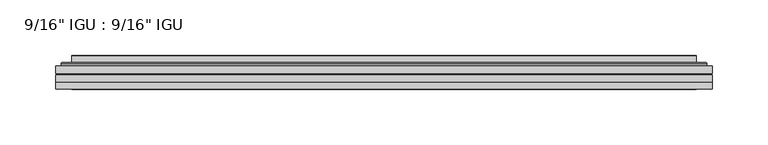
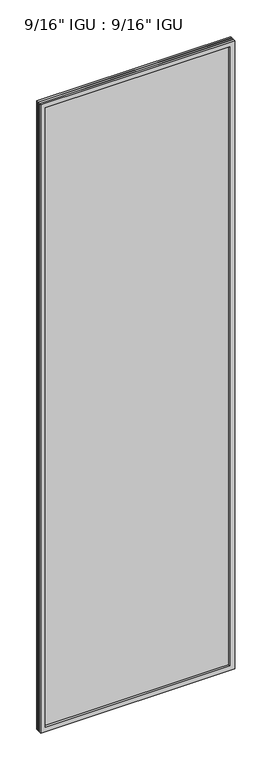
"""IFC4 building model written with IfcOpenShell, lengths in millimetres: plate geometry."""

import ifcopenshell
import ifcopenshell.guid

model = None  # the IFC model being written
_history = None  # IfcOwnerHistory: only IFC2X3 demands one
_inside = {}  # id of a spatial element -> (the spatial element, [elements in it])
_under = {}  # id of a project, library or spatial element -> (it, [spatial elements below it])
_declared = {}  # id of a project -> (the project, [libraries it declares])
_typed = {}  # id of a type object -> (the type object, [elements of that type])
_made_of = {}  # id of a material, layer set ... -> (it, [elements and type objects made of it])


def new_model(schema):
    """Start an empty IFC model of exactly this schema.

    Asked for "IFC4X3", IfcOpenShell would pick the latest addendum, in which some entities
    have other attributes; the version numbers below select the first issue.
    IFC2X3 requires an IfcOwnerHistory on every rooted entity: one is made here for all.
    """
    global model, _history
    if schema == "IFC4X3":
        model = ifcopenshell.file(schema_version=(4, 3, 0, 0))
    else:
        model = ifcopenshell.file(schema=schema)
    _inside.clear()
    _under.clear()
    _declared.clear()
    _typed.clear()
    _made_of.clear()
    _history = None
    if model.schema == "IFC2X3":
        org = make("IfcOrganization", Name="unknown")
        user = make(
            "IfcPersonAndOrganization",
            ThePerson=make("IfcPerson", FamilyName="unknown"),
            TheOrganization=org,
        )
        app = make(
            "IfcApplication",
            ApplicationDeveloper=org,
            Version="unknown",
            ApplicationFullName="unknown",
            ApplicationIdentifier="unknown",
        )
        _history = make(
            "IfcOwnerHistory",
            OwningUser=user,
            OwningApplication=app,
            ChangeAction="ADDED",
            CreationDate=0,
        )
    return model


def make(cls, **values):
    """One entity of the class cls with the attributes given. An attribute that is None is left unset."""
    return model.create_entity(
        cls, **{name: value for name, value in values.items() if value is not None}
    )


def rooted(cls, **values):
    """An entity with a GlobalId (a new one), such as an element, a storey or a relation."""
    return make(cls, GlobalId=ifcopenshell.guid.new(), OwnerHistory=_history, **values)


def si_unit(unit_type, name, prefix=None):
    """IfcSIUnit, for example si_unit("LENGTHUNIT", "METRE", prefix="MILLI")."""
    return make("IfcSIUnit", UnitType=unit_type, Prefix=prefix, Name=name)


def assignment(units):
    """IfcUnitAssignment: the units of a project."""
    return None if units is None else make("IfcUnitAssignment", Units=units)


def point(xyz):
    """IfcCartesianPoint."""
    return None if xyz is None else make("IfcCartesianPoint", Coordinates=xyz)


def direction(xyz):
    """IfcDirection."""
    return None if xyz is None else make("IfcDirection", DirectionRatios=xyz)


def frame(location, z_axis=None, x_axis=None):
    """IfcAxis2Placement3D, a coordinate frame: its origin and axes. An axis left out is left unset."""
    return make(
        "IfcAxis2Placement3D",
        Location=point(location),
        Axis=direction(z_axis),
        RefDirection=direction(x_axis),
    )


def origin():
    """The frame at (0, 0, 0) with its axes left unset."""
    return frame((0.0, 0.0, 0.0))


def place(relative_to, where):
    """IfcLocalPlacement: puts the frame where relative to a parent placement (None: the world)."""
    return make(
        "IfcLocalPlacement", PlacementRelTo=relative_to, RelativePlacement=where
    )


def context(
    kind, dimensions, precision=None, world=None, true_north=None, identifier=None
):
    """IfcGeometricRepresentationContext, for example the 3D "Model" context."""
    return make(
        "IfcGeometricRepresentationContext",
        ContextIdentifier=identifier,
        ContextType=kind,
        CoordinateSpaceDimension=dimensions,
        Precision=precision,
        WorldCoordinateSystem=world,
        TrueNorth=true_north,
    )


def project(units=None, contexts=None):
    """IfcProject with its units and contexts."""
    return rooted(
        "IfcProject",
        Name="project",
        RepresentationContexts=contexts,
        UnitsInContext=assignment(units),
    )


def spatial(cls, under=None, at=None, **own):
    """A site, building, storey or space (cls), placed at a placement, below another one or the project."""
    s = rooted(cls, ObjectPlacement=at, **own)
    if under is not None:
        _under.setdefault(under.id(), (under, []))[1].append(s)
    return s


def polyline(points):
    """IfcPolyline through the points."""
    return make("IfcPolyline", Points=[point(p) for p in points])


def ellipse_curve(where, semi_axis1, semi_axis2):
    """IfcEllipse in the frame where."""
    return make(
        "IfcEllipse", Position=where, SemiAxis1=semi_axis1, SemiAxis2=semi_axis2
    )


def outline(outer, holes=None, kind="AREA"):
    """IfcArbitraryClosedProfileDef: a profile drawn as a closed curve; with holes, ...WithVoids."""
    if holes is None:
        return make("IfcArbitraryClosedProfileDef", ProfileType=kind, OuterCurve=outer)
    return make(
        "IfcArbitraryProfileDefWithVoids",
        ProfileType=kind,
        OuterCurve=outer,
        InnerCurves=holes,
    )


def extrude(swept, where, along, depth):
    """IfcExtrudedAreaSolid: the profile swept, set in the frame where, extruded along a direction by depth."""
    return make(
        "IfcExtrudedAreaSolid",
        SweptArea=swept,
        Position=where,
        ExtrudedDirection=direction(along),
        Depth=depth,
    )


def faces_of(points, faces, orient=None, outer=None):
    """IfcFace entities. A face is a list of loops; a loop is a list of indices into points, from 0.

    orient and outer hold one flag for each loop. By default every Orientation is true, the
    first loop of a face is its IfcFaceOuterBound and the others are IfcFaceBound.
    """
    made = []
    for i, loops in enumerate(faces):
        bounds = []
        for j, loop in enumerate(loops):
            is_outer = j == 0 if outer is None else outer[i][j]
            bounds.append(
                make(
                    "IfcFaceOuterBound" if is_outer else "IfcFaceBound",
                    Bound=make("IfcPolyLoop", Polygon=[points[k] for k in loop]),
                    Orientation=True if orient is None else orient[i][j],
                )
            )
        made.append(make("IfcFace", Bounds=bounds))
    return made


def faceted_brep(points, faces, orient=None, outer=None, voids=None):
    """IfcFacetedBrep: a solid bounded by flat faces; with voids (closed shells), ...WithVoids."""
    shared = [point(p) for p in points]
    hull = make("IfcClosedShell", CfsFaces=faces_of(shared, faces, orient, outer))
    if voids is None:
        return make("IfcFacetedBrep", Outer=hull)
    return make(
        "IfcFacetedBrepWithVoids",
        Outer=hull,
        Voids=[
            make(cls, CfsFaces=faces_of(shared, fs, o, b)) for cls, fs, o, b in voids
        ],
    )


def shape(context_of_items, identifier, shape_type, items):
    """IfcShapeRepresentation: the items that make up one representation, for example the "Body"."""
    return make(
        "IfcShapeRepresentation",
        ContextOfItems=context_of_items,
        RepresentationIdentifier=identifier,
        RepresentationType=shape_type,
        Items=items,
    )


def source(mapping_origin, context_of_items, identifier, shape_type, items):
    """IfcRepresentationMap: a shape defined once, which mapped items show again and again."""
    return make(
        "IfcRepresentationMap",
        MappingOrigin=mapping_origin,
        MappedRepresentation=shape(context_of_items, identifier, shape_type, items),
    )


def transform(
    local_origin,
    x_axis=None,
    y_axis=None,
    z_axis=None,
    scale=None,
    scale2=None,
    scale3=None,
    uniform=True,
):
    """IfcCartesianTransformationOperator3D, or its non-uniform kind. x_axis, y_axis, z_axis: its Axis1, 2, 3."""
    if uniform:
        return make(
            "IfcCartesianTransformationOperator3D",
            Axis1=direction(x_axis),
            Axis2=direction(y_axis),
            LocalOrigin=point(local_origin),
            Scale=scale,
            Axis3=direction(z_axis),
        )
    return make(
        "IfcCartesianTransformationOperator3DnonUniform",
        Axis1=direction(x_axis),
        Axis2=direction(y_axis),
        LocalOrigin=point(local_origin),
        Scale=scale,
        Axis3=direction(z_axis),
        Scale2=scale2,
        Scale3=scale3,
    )


def mapped(mapping_source, mapping_target):
    """IfcMappedItem: shows the shape of a source again, moved by a transform."""
    return make(
        "IfcMappedItem", MappingSource=mapping_source, MappingTarget=mapping_target
    )


def made_of(thing, what):
    """Note that an element or type object is made of a material, layer set ...; save() writes the relation."""
    if what is not None:
        _made_of.setdefault(what.id(), (what, []))[1].append(thing)
    return thing


def element(
    cls,
    number,
    at=None,
    inside=None,
    cuts=None,
    type_object=None,
    material=None,
    context=None,
    identifier="Body",
    shape_type=None,
    held_by="IfcProductDefinitionShape",
    body=None,
    shapes=None,
    **own,
):
    """One element of the class cls, such as IfcWall. Its Tag is "e" and its number.

    at: its placement. inside: the storey or other place that contains it. cuts: it is an
    opening in that element (IfcRelVoidsElement). A single representation is given by context,
    identifier, shape_type and body (its items); several are given by shapes. held_by: the class
    of the entity that holds the representations. save() writes the other relations.
    """
    e = rooted(cls, Tag="e%d" % number, ObjectPlacement=at, **own)
    if body is not None:
        shapes = [shape(context, identifier, shape_type, body)]
    if shapes is not None:
        e.Representation = make(held_by, Representations=shapes)
    if inside is not None:
        _inside.setdefault(inside.id(), (inside, []))[1].append(e)
    if cuts is not None:
        rooted(
            "IfcRelVoidsElement", RelatingBuildingElement=cuts, RelatedOpeningElement=e
        )
    if type_object is not None:
        _typed.setdefault(type_object.id(), (type_object, []))[1].append(e)
    return made_of(e, material)


def aggregate(whole, parts):
    """IfcRelAggregates: a whole, such as a stair, and the parts it consists of."""
    return rooted("IfcRelAggregates", RelatingObject=whole, RelatedObjects=parts)


def save(model, path):
    """Write the relations noted so far, then the file.

    IfcRelAggregates (storeys below a building ...), IfcRelContainedInSpatialStructure (elements
    in a storey), IfcRelDefinesByType, IfcRelAssociatesMaterial and IfcRelDeclares: one each for
    every whole, place, type object, material and project.
    """
    for whole, parts in _under.values():
        aggregate(whole, parts)
    for where, things in _inside.values():
        rooted(
            "IfcRelContainedInSpatialStructure",
            RelatedElements=things,
            RelatingStructure=where,
        )
    for kind, things in _typed.values():
        rooted("IfcRelDefinesByType", RelatedObjects=things, RelatingType=kind)
    for what, things in _made_of.values():
        rooted("IfcRelAssociatesMaterial", RelatedObjects=things, RelatingMaterial=what)
    for by, libraries in _declared.values():
        rooted("IfcRelDeclares", RelatingContext=by, RelatedDefinitions=libraries)
    model.write(path)


def plane_surface(at):
    """IfcPlane: the flat surface through the origin of the frame at, square to its z axis."""
    return make("IfcPlane", Position=at)


def cylinder_surface(at, radius):
    """IfcCylindricalSurface: all points at the distance radius from the z axis of the frame at."""
    return make("IfcCylindricalSurface", Position=at, Radius=radius)


def advanced_brep(points, edges, surfaces, faces):
    """IfcAdvancedBrep: a solid bounded by faces that lie on surfaces and meet in shared edges.

    An edge is (start, end): straight between two places in points (the first is 0);
    or (start, end, curve); or (start, end, curve, False) where it runs against its curve.
    A face is (place in surfaces, loops), or (place, loops, False) where it looks against
    its surface's normal. A loop lists edges by number (the first is 1), with a minus sign
    where the edge is run from its end to its start. The first loop is the outer one.
    """
    corners = [point(p) for p in points]
    vertices = [make("IfcVertexPoint", VertexGeometry=c) for c in corners]
    made = []
    for start, end, *more in edges:
        made.append(
            make(
                "IfcEdgeCurve",
                EdgeStart=vertices[start],
                EdgeEnd=vertices[end],
                EdgeGeometry=more[0] if more else make("IfcPolyline", Points=[corners[start], corners[end]]),
                SameSense=more[1] if len(more) > 1 else True,
            )
        )
    hull = []
    for where, loops, *sense in faces:
        bounds = []
        for j, loop in enumerate(loops):
            ring = [make("IfcOrientedEdge", EdgeElement=made[abs(k) - 1], Orientation=k > 0) for k in loop]
            bounds.append(
                make(
                    "IfcFaceOuterBound" if j == 0 else "IfcFaceBound",
                    Bound=make("IfcEdgeLoop", EdgeList=ring),
                    Orientation=True,
                )
            )
        hull.append(make("IfcAdvancedFace", Bounds=bounds, FaceSurface=surfaces[where], SameSense=sense[0] if sense else True))
    return make("IfcAdvancedBrep", Outer=make("IfcClosedShell", CfsFaces=hull))


def plate_619f9ec3(model_context):
    return source(origin(), model_context, "Body", "SolidModel", [
        extrude(outline(polyline([(295.3105814, -54.78145), (295.3105814, -61.1317818), (-295.2964064, -61.1317818), (-295.2964064, -54.78145), (295.3105814, -54.78145)])), frame((0.0, 0.0, -14.2875), z_axis=(0.0, 0.0, 1.0), x_axis=(1.0, 0.0, 0.0)), (0.0, 0.0, 1.0), 2022.4787979),
        extrude(outline(polyline([(-295.2964064, -69.05625), (-295.2964064, -62.705745), (295.3105814, -62.705745), (295.3105814, -69.05625), (-295.2964064, -69.05625)])), frame((0.0, 0.0, -14.2875), z_axis=(0.0, 0.0, 1.0), x_axis=(1.0, 0.0, 0.0)), (0.0, 0.0, 1.0), 2022.4787979),
        faceted_brep([(-295.3091064, -75.40625, 2008.2002), (-295.3091064, -69.05625, 2008.2002), (-295.3091064, -69.05625, -14.3002), (-295.3091064, -75.40625, -14.3002), (295.3091064, -69.05625, -14.3002), (295.3091064, -75.40625, -14.3002), (295.3091064, -69.05625, 2008.2002), (295.3091064, -75.40625, 2008.2002), (-280.1111623, -69.05625, 0.8977441), (280.1111623, -69.05625, 0.8977441), (280.1111623, -69.05625, 1993.0022559), (-280.1111623, -69.05625, 1993.0022559), (-281.0035966, -75.40625, 1993.8946902), (281.0035966, -75.40625, 1993.8946902), (281.0035966, -75.40625, 0.0053098), (-281.0035966, -75.40625, 0.0053098)], [[[0, 1, 2, 3]], [[3, 2, 4, 5]], [[5, 4, 6, 7]], [[1, 6, 4, 2], [8, 9, 10, 11]], [[7, 6, 1, 0]], [[3, 5, 7, 0], [12, 13, 14, 15]], [[11, 12, 15, 8]], [[8, 15, 14, 9]], [[9, 14, 13, 10]], [[10, 13, 12, 11]]]),
        advanced_brep(
        [(-288.0551255, -54.78145, 2000.946219), (-290.4093308, -52.7917833, 2003.3004244), (-290.4093308, -52.7917833, -9.4004244), (-288.0551255, -54.78145, -7.046219), (-278.9808003, -50.941413, 1991.8718939), (-274.0459685, -54.78145, 1986.9370621), (-274.0459685, -54.78145, 6.9629379), (-278.9808003, -50.941413, 2.0281061), (-280.0128281, -45.5441819, 1992.9039217), (-280.0128281, -45.5441819, 0.9960783), (-281.0034849, -45.1452069, 1993.8945784), (-281.0034849, -45.1452069, 0.0054216), (-281.0034849, -51.60645, 1993.8945784), (-281.0034849, -51.60645, 0.0054216), (-289.4075413, -51.60645, 2002.2986349), (-289.4075413, -51.60645, -8.3986349), (290.4093308, -52.7917833, -9.4004244), (288.0551255, -54.78145, -7.046219), (274.0459685, -54.78145, 6.9629379), (278.9808003, -50.941413, 2.0281061), (280.0128281, -45.5441819, 0.9960783), (281.0034849, -45.1452069, 0.0054216), (281.0034849, -51.60645, 0.0054216), (289.4075413, -51.60645, -8.3986349), (290.4093308, -52.7917833, 2003.3004244), (288.0551255, -54.78145, 2000.946219), (274.0459685, -54.78145, 1986.9370621), (278.9808003, -50.941413, 1991.8718939), (280.0128281, -45.5441819, 1992.9039217), (281.0034849, -45.1452069, 1993.8945784), (281.0034849, -51.60645, 1993.8945784), (289.4075413, -51.60645, 2002.2986349)],
        [
            (0, 1, ellipse_curve(frame((-288.0551255, -52.39385, 2000.946219), z_axis=(-0.7071067811865475, 0.0, -0.7071067811865475), x_axis=(-0.7071067811865474, 0.0, 0.7071067811865476)), 3.3765763, 2.3876)),
            (1, 2),
            (2, 3, ellipse_curve(frame((-288.0551255, -52.39385, -7.046219), z_axis=(-0.7071067811865475, 0.0, 0.7071067811865475), x_axis=(0.7071067811865474, 0.0, 0.7071067811865476)), 3.3765763, 2.3876)),
            (3, 0),
            (4, 5),
            (5, 6),
            (6, 7),
            (7, 4),
            (8, 4),
            (7, 9),
            (9, 8),
            (10, 8, ellipse_curve(frame((-280.6365283, -45.6634423, 1993.5276219), z_axis=(-0.7071067811865475, 0.0, -0.7071067811865475), x_axis=(-0.7071067811865474, 0.0, 0.7071067811865476)), 0.8980256, 0.635)),
            (9, 11, ellipse_curve(frame((-280.6365283, -45.6634423, 0.3723781), z_axis=(-0.7071067811865475, 0.0, 0.7071067811865475), x_axis=(0.7071067811865474, 0.0, 0.7071067811865476)), 0.8980256, 0.635)),
            (11, 10),
            (12, 10),
            (11, 13),
            (13, 12),
            (1, 14, ellipse_curve(frame((-289.4075413, -52.62245, 2002.2986349), z_axis=(-0.7071067811865475, 0.0, -0.7071067811865475), x_axis=(-0.7071067811865474, 0.0, 0.7071067811865476)), 1.436841, 1.016)),
            (14, 15),
            (15, 2, ellipse_curve(frame((-289.4075413, -52.62245, -8.3986349), z_axis=(-0.7071067811865475, 0.0, 0.7071067811865475), x_axis=(0.7071067811865474, 0.0, 0.7071067811865476)), 1.436841, 1.016)),
            (2, 16),
            (16, 17, ellipse_curve(frame((288.0551255, -52.39385, -7.046219), z_axis=(-0.7071067811865475, 0.0, -0.7071067811865475), x_axis=(-0.7071067811865476, 0.0, 0.7071067811865474)), 3.3765763, 2.3876)),
            (17, 3),
            (6, 18),
            (18, 19),
            (19, 7),
            (19, 20),
            (20, 9),
            (20, 21, ellipse_curve(frame((280.6365283, -45.6634423, 0.3723781), z_axis=(-0.7071067811865475, 0.0, -0.7071067811865475), x_axis=(-0.7071067811865476, 0.0, 0.7071067811865474)), 0.8980256, 0.635)),
            (21, 11),
            (21, 22),
            (22, 13),
            (15, 23),
            (23, 16, ellipse_curve(frame((289.4075413, -52.62245, -8.3986349), z_axis=(-0.7071067811865475, 0.0, -0.7071067811865475), x_axis=(-0.7071067811865476, 0.0, 0.7071067811865474)), 1.436841, 1.016)),
            (16, 24),
            (24, 25, ellipse_curve(frame((288.0551255, -52.39385, 2000.946219), z_axis=(0.7071067811865475, 0.0, -0.7071067811865475), x_axis=(-0.7071067811865474, 0.0, -0.7071067811865476)), 3.3765763, 2.3876)),
            (25, 17),
            (18, 26),
            (26, 27),
            (27, 19),
            (27, 28),
            (28, 20),
            (28, 29, ellipse_curve(frame((280.6365283, -45.6634423, 1993.5276219), z_axis=(0.7071067811865475, 0.0, -0.7071067811865475), x_axis=(-0.7071067811865474, 0.0, -0.7071067811865476)), 0.8980256, 0.635)),
            (29, 21),
            (29, 30),
            (30, 22),
            (23, 31),
            (31, 24, ellipse_curve(frame((289.4075413, -52.62245, 2002.2986349), z_axis=(0.7071067811865475, 0.0, -0.7071067811865475), x_axis=(-0.7071067811865474, 0.0, -0.7071067811865476)), 1.436841, 1.016)),
            (24, 1),
            (0, 25),
            (5, 26),
            (4, 27),
            (8, 28),
            (10, 29),
            (12, 30),
            (14, 31),
        ],
        [
            cylinder_surface(frame((-288.0551255, -52.39385, 2025.65), z_axis=(0.0, 0.0, 1.0), x_axis=(-1.0, 0.0, 0.0)), 2.3876),
            plane_surface(frame((-274.0459685, -54.78145, 1986.9370621), z_axis=(0.6141233906514794, 0.7892100234124821, 0.0), x_axis=(0.0, 0.0, -1.0))),
            plane_surface(frame((-278.9808003, -50.941413, 1991.8718939), z_axis=(0.9822050625507728, 0.18781164793386088, 0.0), x_axis=(0.0, 0.0, -1.0))),
            cylinder_surface(frame((-280.6365283, -45.6634423, 2025.65), z_axis=(0.0, 0.0, 1.0), x_axis=(-1.0, 0.0, 0.0)), 0.635),
            plane_surface(frame((-281.0034849, -45.1452069, 1993.8945784), z_axis=(-1.0, 0.0, 0.0), x_axis=(0.0, 0.0, -1.0))),
            cylinder_surface(frame((-289.4075413, -52.62245, 2025.65), z_axis=(0.0, 0.0, 1.0), x_axis=(-1.0, 0.0, 0.0)), 1.016),
            cylinder_surface(frame((-312.7589064, -52.39385, -7.046219), z_axis=(-1.0, 0.0, 0.0), x_axis=(0.0, 0.0, -1.0)), 2.3876),
            plane_surface(frame((-274.0459685, -54.78145, 6.9629379), z_axis=(0.0, 0.7892100234124841, 0.6141233906514768), x_axis=(1.0, 0.0, 0.0))),
            plane_surface(frame((-278.9808003, -50.941413, 2.0281061), z_axis=(0.0, 0.18781164793386404, 0.9822050625507722), x_axis=(1.0, 0.0, 0.0))),
            cylinder_surface(frame((-312.7589064, -45.6634423, 0.3723781), z_axis=(-1.0, 0.0, 0.0), x_axis=(0.0, 0.0, -1.0)), 0.635),
            plane_surface(frame((-281.0034849, -45.1452069, 0.0054216), z_axis=(0.0, 0.0, -1.0), x_axis=(1.0, 0.0, 0.0))),
            cylinder_surface(frame((-312.7589064, -52.62245, -8.3986349), z_axis=(-1.0, 0.0, 0.0), x_axis=(0.0, 0.0, -1.0)), 1.016),
            cylinder_surface(frame((288.0551255, -52.39385, -31.75), z_axis=(0.0, 0.0, -1.0), x_axis=(1.0, 0.0, 0.0)), 2.3876),
            plane_surface(frame((274.0459685, -54.78145, 6.9629379), z_axis=(-0.6141233906514743, 0.7892100234124861, 0.0), x_axis=(0.0, 0.0, 1.0))),
            plane_surface(frame((278.9808003, -50.941413, 2.0281061), z_axis=(-0.9822050625507717, 0.1878116479338672, 0.0), x_axis=(0.0, 0.0, 1.0))),
            cylinder_surface(frame((280.6365283, -45.6634423, -31.75), z_axis=(0.0, 0.0, -1.0), x_axis=(1.0, 0.0, 0.0)), 0.635),
            plane_surface(frame((281.0034849, -45.1452069, 0.0054216), z_axis=(1.0, 0.0, 0.0), x_axis=(0.0, 0.0, 1.0))),
            cylinder_surface(frame((289.4075413, -52.62245, -31.75), z_axis=(0.0, 0.0, -1.0), x_axis=(1.0, 0.0, 0.0)), 1.016),
            cylinder_surface(frame((312.7589064, -52.39385, 2000.946219), z_axis=(1.0, 0.0, 0.0), x_axis=(0.0, 0.0, 1.0)), 2.3876),
            plane_surface(frame((288.0551255, -54.78145, 2000.946219), z_axis=(0.0, -1.0, 0.0), x_axis=(-1.0, 0.0, 0.0))),
            plane_surface(frame((274.0459685, -54.78145, 1986.9370621), z_axis=(0.0, 0.7892100234124841, -0.6141233906514768), x_axis=(-1.0, 0.0, 0.0))),
            plane_surface(frame((278.9808003, -50.941413, 1991.8718939), z_axis=(0.0, 0.18781164793386404, -0.9822050625507722), x_axis=(-1.0, 0.0, 0.0))),
            cylinder_surface(frame((312.7589064, -45.6634423, 1993.5276219), z_axis=(1.0, 0.0, 0.0), x_axis=(0.0, 0.0, 1.0)), 0.635),
            plane_surface(frame((281.0034849, -45.1452069, 1993.8945784), z_axis=(0.0, 0.0, 1.0), x_axis=(-1.0, 0.0, 0.0))),
            plane_surface(frame((281.0034849, -51.60645, 1993.8945784), z_axis=(0.0, 1.0, 0.0), x_axis=(-1.0, 0.0, 0.0))),
            cylinder_surface(frame((312.7589064, -52.62245, 2002.2986349), z_axis=(1.0, 0.0, 0.0), x_axis=(0.0, 0.0, 1.0)), 1.016),
        ],
        [
            (0, [[1, 2, 3, 4]]),
            (1, [[5, 6, 7, 8]]),
            (2, [[9, -8, 10, 11]]),
            (3, [[12, -11, 13, 14]]),
            (4, [[15, -14, 16, 17]]),
            (5, [[18, 19, 20, -2]]),
            (6, [[-3, 21, 22, 23]]),
            (7, [[-7, 24, 25, 26]]),
            (8, [[-10, -26, 27, 28]]),
            (9, [[-13, -28, 29, 30]]),
            (10, [[-16, -30, 31, 32]]),
            (11, [[-20, 33, 34, -21]]),
            (12, [[-22, 35, 36, 37]]),
            (13, [[-25, 38, 39, 40]]),
            (14, [[-27, -40, 41, 42]]),
            (15, [[-29, -42, 43, 44]]),
            (16, [[-31, -44, 45, 46]]),
            (17, [[-34, 47, 48, -35]]),
            (18, [[-36, 49, -1, 50]]),
            (19, [[-23, -37, -50, -4], [51, -38, -24, -6]]),
            (20, [[-39, -51, -5, 52]]),
            (21, [[-41, -52, -9, 53]]),
            (22, [[-43, -53, -12, 54]]),
            (23, [[-45, -54, -15, 55]]),
            (24, [[56, -47, -33, -19], [-32, -46, -55, -17]]),
            (25, [[-48, -56, -18, -49]]),
        ],
    ),
    ])


if __name__ == "__main__":
    model = new_model("IFC4")
    model_context = context("Model", 3, world=origin())
    ifc_project = project(units=[si_unit("LENGTHUNIT", "METRE", prefix="MILLI")], contexts=[model_context])
    site = spatial("IfcSite", under=ifc_project)
    building = spatial("IfcBuilding", under=site)
    placement = place(None, origin())
    plate_shape = plate_619f9ec3(model_context)
    element("IfcPlate", 1, ObjectType="9/16\" IGU : 9/16\" IGU", at=placement, inside=building, context=model_context, shape_type="MappedRepresentation", body=[
        mapped(plate_shape, transform((0.0, 0.0, 0.0), x_axis=(1.0, 0.0, 0.0), y_axis=(0.0, 1.0, 0.0), z_axis=(0.0, 0.0, 1.0))),
    ])
    save(model, "model.ifc")
